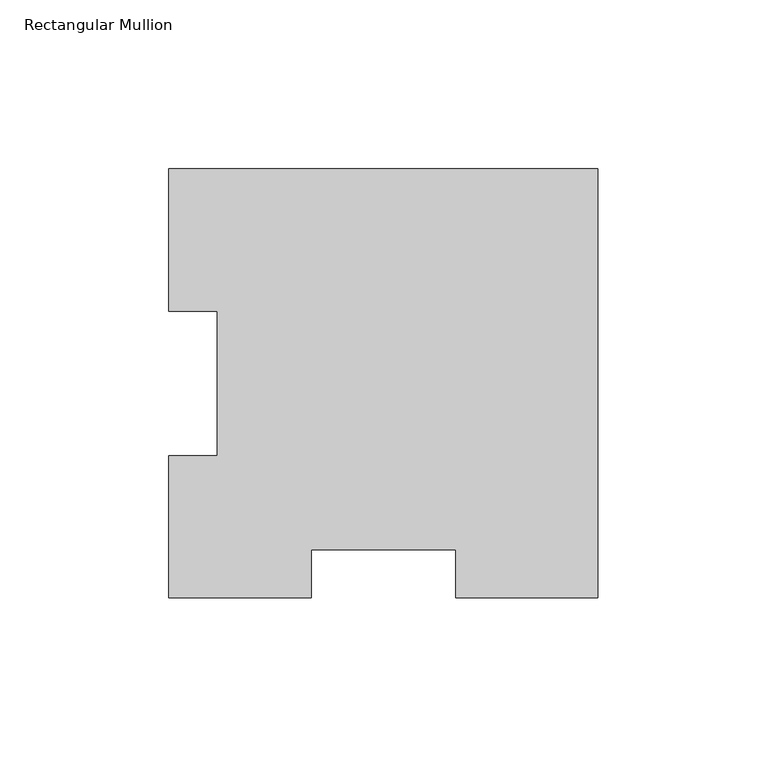
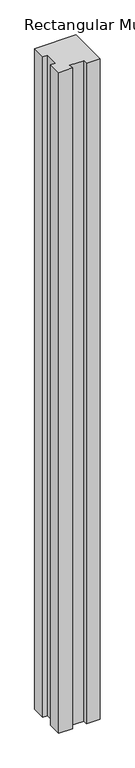
"""IFC4 building model written with IfcOpenShell, lengths in millimetres: member geometry, Rectangular Mullion."""

import ifcopenshell
import ifcopenshell.guid

model = None  # the IFC model being written
_history = None  # IfcOwnerHistory: only IFC2X3 demands one
_inside = {}  # id of a spatial element -> (the spatial element, [elements in it])
_under = {}  # id of a project, library or spatial element -> (it, [spatial elements below it])
_declared = {}  # id of a project -> (the project, [libraries it declares])
_typed = {}  # id of a type object -> (the type object, [elements of that type])
_made_of = {}  # id of a material, layer set ... -> (it, [elements and type objects made of it])


def new_model(schema):
    """Start an empty IFC model of exactly this schema.

    Asked for "IFC4X3", IfcOpenShell would pick the latest addendum, in which some entities
    have other attributes; the version numbers below select the first issue.
    IFC2X3 requires an IfcOwnerHistory on every rooted entity: one is made here for all.
    """
    global model, _history
    if schema == "IFC4X3":
        model = ifcopenshell.file(schema_version=(4, 3, 0, 0))
    else:
        model = ifcopenshell.file(schema=schema)
    _inside.clear()
    _under.clear()
    _declared.clear()
    _typed.clear()
    _made_of.clear()
    _history = None
    if model.schema == "IFC2X3":
        org = make("IfcOrganization", Name="unknown")
        user = make(
            "IfcPersonAndOrganization",
            ThePerson=make("IfcPerson", FamilyName="unknown"),
            TheOrganization=org,
        )
        app = make(
            "IfcApplication",
            ApplicationDeveloper=org,
            Version="unknown",
            ApplicationFullName="unknown",
            ApplicationIdentifier="unknown",
        )
        _history = make(
            "IfcOwnerHistory",
            OwningUser=user,
            OwningApplication=app,
            ChangeAction="ADDED",
            CreationDate=0,
        )
    return model


def make(cls, **values):
    """One entity of the class cls with the attributes given. An attribute that is None is left unset."""
    return model.create_entity(
        cls, **{name: value for name, value in values.items() if value is not None}
    )


def rooted(cls, **values):
    """An entity with a GlobalId (a new one), such as an element, a storey or a relation."""
    return make(cls, GlobalId=ifcopenshell.guid.new(), OwnerHistory=_history, **values)


def si_unit(unit_type, name, prefix=None):
    """IfcSIUnit, for example si_unit("LENGTHUNIT", "METRE", prefix="MILLI")."""
    return make("IfcSIUnit", UnitType=unit_type, Prefix=prefix, Name=name)


def assignment(units):
    """IfcUnitAssignment: the units of a project."""
    return None if units is None else make("IfcUnitAssignment", Units=units)


def point(xyz):
    """IfcCartesianPoint."""
    return None if xyz is None else make("IfcCartesianPoint", Coordinates=xyz)


def direction(xyz):
    """IfcDirection."""
    return None if xyz is None else make("IfcDirection", DirectionRatios=xyz)


def frame(location, z_axis=None, x_axis=None):
    """IfcAxis2Placement3D, a coordinate frame: its origin and axes. An axis left out is left unset."""
    return make(
        "IfcAxis2Placement3D",
        Location=point(location),
        Axis=direction(z_axis),
        RefDirection=direction(x_axis),
    )


def origin():
    """The frame at (0, 0, 0) with its axes left unset."""
    return frame((0.0, 0.0, 0.0))


def place(relative_to, where):
    """IfcLocalPlacement: puts the frame where relative to a parent placement (None: the world)."""
    return make(
        "IfcLocalPlacement", PlacementRelTo=relative_to, RelativePlacement=where
    )


def context(
    kind, dimensions, precision=None, world=None, true_north=None, identifier=None
):
    """IfcGeometricRepresentationContext, for example the 3D "Model" context."""
    return make(
        "IfcGeometricRepresentationContext",
        ContextIdentifier=identifier,
        ContextType=kind,
        CoordinateSpaceDimension=dimensions,
        Precision=precision,
        WorldCoordinateSystem=world,
        TrueNorth=true_north,
    )


def project(units=None, contexts=None):
    """IfcProject with its units and contexts."""
    return rooted(
        "IfcProject",
        Name="project",
        RepresentationContexts=contexts,
        UnitsInContext=assignment(units),
    )


def spatial(cls, under=None, at=None, **own):
    """A site, building, storey or space (cls), placed at a placement, below another one or the project."""
    s = rooted(cls, ObjectPlacement=at, **own)
    if under is not None:
        _under.setdefault(under.id(), (under, []))[1].append(s)
    return s


def polyline(points):
    """IfcPolyline through the points."""
    return make("IfcPolyline", Points=[point(p) for p in points])


def outline(outer, holes=None, kind="AREA"):
    """IfcArbitraryClosedProfileDef: a profile drawn as a closed curve; with holes, ...WithVoids."""
    if holes is None:
        return make("IfcArbitraryClosedProfileDef", ProfileType=kind, OuterCurve=outer)
    return make(
        "IfcArbitraryProfileDefWithVoids",
        ProfileType=kind,
        OuterCurve=outer,
        InnerCurves=holes,
    )


def extrude(swept, where, along, depth):
    """IfcExtrudedAreaSolid: the profile swept, set in the frame where, extruded along a direction by depth."""
    return make(
        "IfcExtrudedAreaSolid",
        SweptArea=swept,
        Position=where,
        ExtrudedDirection=direction(along),
        Depth=depth,
    )


def shape(context_of_items, identifier, shape_type, items):
    """IfcShapeRepresentation: the items that make up one representation, for example the "Body"."""
    return make(
        "IfcShapeRepresentation",
        ContextOfItems=context_of_items,
        RepresentationIdentifier=identifier,
        RepresentationType=shape_type,
        Items=items,
    )


def source(mapping_origin, context_of_items, identifier, shape_type, items):
    """IfcRepresentationMap: a shape defined once, which mapped items show again and again."""
    return make(
        "IfcRepresentationMap",
        MappingOrigin=mapping_origin,
        MappedRepresentation=shape(context_of_items, identifier, shape_type, items),
    )


def transform(
    local_origin,
    x_axis=None,
    y_axis=None,
    z_axis=None,
    scale=None,
    scale2=None,
    scale3=None,
    uniform=True,
):
    """IfcCartesianTransformationOperator3D, or its non-uniform kind. x_axis, y_axis, z_axis: its Axis1, 2, 3."""
    if uniform:
        return make(
            "IfcCartesianTransformationOperator3D",
            Axis1=direction(x_axis),
            Axis2=direction(y_axis),
            LocalOrigin=point(local_origin),
            Scale=scale,
            Axis3=direction(z_axis),
        )
    return make(
        "IfcCartesianTransformationOperator3DnonUniform",
        Axis1=direction(x_axis),
        Axis2=direction(y_axis),
        LocalOrigin=point(local_origin),
        Scale=scale,
        Axis3=direction(z_axis),
        Scale2=scale2,
        Scale3=scale3,
    )


def mapped(mapping_source, mapping_target):
    """IfcMappedItem: shows the shape of a source again, moved by a transform."""
    return make(
        "IfcMappedItem", MappingSource=mapping_source, MappingTarget=mapping_target
    )


def made_of(thing, what):
    """Note that an element or type object is made of a material, layer set ...; save() writes the relation."""
    if what is not None:
        _made_of.setdefault(what.id(), (what, []))[1].append(thing)
    return thing


def element(
    cls,
    number,
    at=None,
    inside=None,
    cuts=None,
    type_object=None,
    material=None,
    context=None,
    identifier="Body",
    shape_type=None,
    held_by="IfcProductDefinitionShape",
    body=None,
    shapes=None,
    **own,
):
    """One element of the class cls, such as IfcWall. Its Tag is "e" and its number.

    at: its placement. inside: the storey or other place that contains it. cuts: it is an
    opening in that element (IfcRelVoidsElement). A single representation is given by context,
    identifier, shape_type and body (its items); several are given by shapes. held_by: the class
    of the entity that holds the representations. save() writes the other relations.
    """
    e = rooted(cls, Tag="e%d" % number, ObjectPlacement=at, **own)
    if body is not None:
        shapes = [shape(context, identifier, shape_type, body)]
    if shapes is not None:
        e.Representation = make(held_by, Representations=shapes)
    if inside is not None:
        _inside.setdefault(inside.id(), (inside, []))[1].append(e)
    if cuts is not None:
        rooted(
            "IfcRelVoidsElement", RelatingBuildingElement=cuts, RelatedOpeningElement=e
        )
    if type_object is not None:
        _typed.setdefault(type_object.id(), (type_object, []))[1].append(e)
    return made_of(e, material)


def aggregate(whole, parts):
    """IfcRelAggregates: a whole, such as a stair, and the parts it consists of."""
    return rooted("IfcRelAggregates", RelatingObject=whole, RelatedObjects=parts)


def save(model, path):
    """Write the relations noted so far, then the file.

    IfcRelAggregates (storeys below a building ...), IfcRelContainedInSpatialStructure (elements
    in a storey), IfcRelDefinesByType, IfcRelAssociatesMaterial and IfcRelDeclares: one each for
    every whole, place, type object, material and project.
    """
    for whole, parts in _under.values():
        aggregate(whole, parts)
    for where, things in _inside.values():
        rooted(
            "IfcRelContainedInSpatialStructure",
            RelatedElements=things,
            RelatingStructure=where,
        )
    for kind, things in _typed.values():
        rooted("IfcRelDefinesByType", RelatedObjects=things, RelatingType=kind)
    for what, things in _made_of.values():
        rooted("IfcRelAssociatesMaterial", RelatedObjects=things, RelatingMaterial=what)
    for by, libraries in _declared.values():
        rooted("IfcRelDeclares", RelatingContext=by, RelatedDefinitions=libraries)
    model.write(path)


def rectangular_mullion_9e66cb16(model_context):
    return source(origin(), model_context, "Body", "SweptSolid", [
        extrude(outline(polyline([(-127.0, 127.00635), (0.0, 127.00635), (0.0, 0.00635), (-42.0751, 0.00635), (-42.0751, 14.29385), (-84.9249, 14.29385), (-84.9249, 0.00635), (-127.0, 0.00635), (-127.0, 42.08145), (-112.7125, 42.08145), (-112.7125, 84.93125), (-127.0, 84.93125), (-127.0, 127.00635)])), frame((0.0, 0.0, -2133.6), z_axis=(0.0, 0.0, 1.0), x_axis=(1.0, 0.0, 0.0)), (0.0, 0.0, 1.0), 2133.6),
    ])


if __name__ == "__main__":
    model = new_model("IFC4")
    model_context = context("Model", 3, world=origin())
    ifc_project = project(units=[si_unit("LENGTHUNIT", "METRE", prefix="MILLI")], contexts=[model_context])
    site = spatial("IfcSite", under=ifc_project)
    building = spatial("IfcBuilding", under=site)
    placement = place(None, origin())
    rectangular_mullion_shape = rectangular_mullion_9e66cb16(model_context)
    element("IfcMember", 1, ObjectType="Rectangular Mullion", at=placement, inside=building, context=model_context, shape_type="MappedRepresentation", body=[
        mapped(rectangular_mullion_shape, transform((0.0, 0.0, 0.0), x_axis=(1.0, 0.0, 0.0), y_axis=(0.0, 1.0, 0.0), z_axis=(0.0, 0.0, 1.0))),
    ])
    save(model, "model.ifc")
